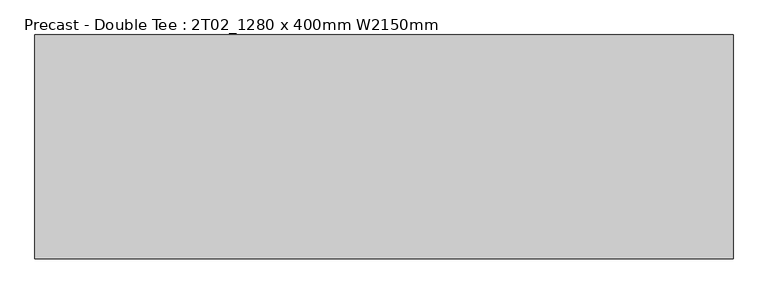
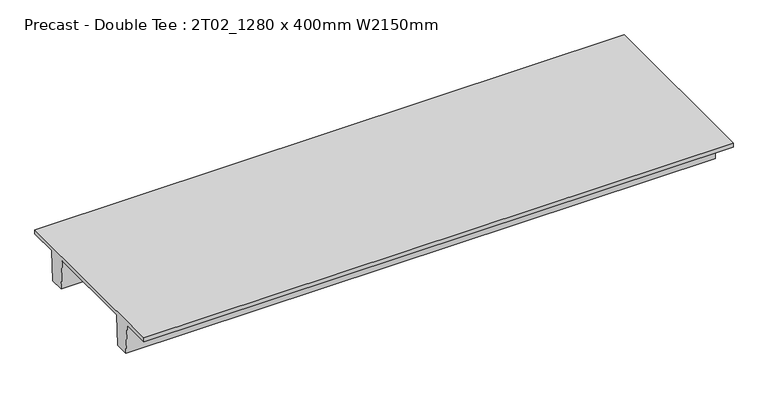
"""IFC4 building model written with IfcOpenShell, lengths in millimetres: beam geometry, Precast - Double Tee : 2T02_1280 x 400mm W2150mm."""

from ifc_helpers import new_model, si_unit, frame, origin, place, context, project, spatial, polyline, outline, extrude, source, transform, mapped, element, save


def precast_double_tee_2t02_1280_x_400mm_w2150mm_0904805b(model_context):
    return source(origin(), model_context, "Body", "SweptSolid", [
        extrude(outline(polyline([(1075.0, 200.0), (1075.0, 150.0), (745.4, 150.0), (720.0, -200.0), (560.0, -200.0), (534.6, 150.0), (-534.6, 150.0), (-560.0, -200.0), (-720.0, -200.0), (-745.4, 150.0), (-1075.0, 150.0), (-1075.0, 200.0), (1075.0, 200.0)])), frame((-3355.0, 0.0, 0.0), z_axis=(1.0, 0.0, 0.0), x_axis=(0.0, 1.0, 0.0)), (0.0, 0.0, 1.0), 6710.0),
    ])


if __name__ == "__main__":
    model = new_model("IFC4")
    model_context = context("Model", 3, world=origin())
    ifc_project = project(units=[si_unit("LENGTHUNIT", "METRE", prefix="MILLI")], contexts=[model_context])
    site = spatial("IfcSite", under=ifc_project)
    building = spatial("IfcBuilding", under=site)
    placement = place(None, origin())
    precast_double_tee_2t02_1280_x_400mm_w2150mm_shape = precast_double_tee_2t02_1280_x_400mm_w2150mm_0904805b(model_context)
    element("IfcBeam", 1, ObjectType="Precast - Double Tee : 2T02_1280 x 400mm W2150mm", at=placement, inside=building, context=model_context, shape_type="MappedRepresentation", body=[
        mapped(precast_double_tee_2t02_1280_x_400mm_w2150mm_shape, transform((0.0, 0.0, 0.0), x_axis=(1.0, 0.0, 0.0), y_axis=(0.0, 1.0, 0.0), z_axis=(0.0, 0.0, 1.0))),
    ])
    save(model, "model.ifc")
